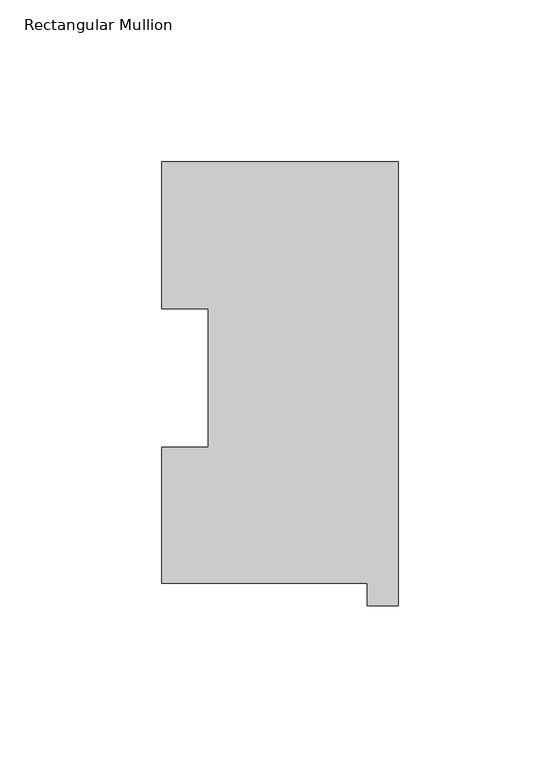
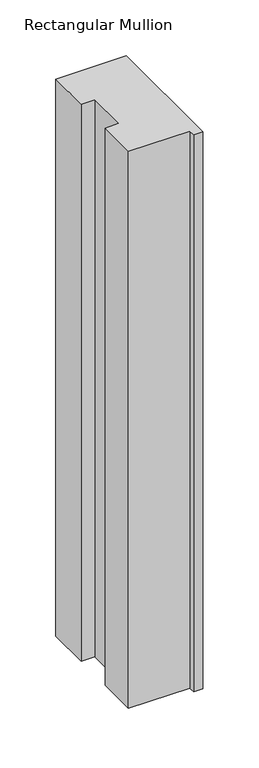
"""IFC4 building model written with IfcOpenShell, lengths in millimetres: member geometry, Rectangular Mullion."""

from ifc_helpers import new_model, si_unit, frame, origin, place, context, project, spatial, polyline, outline, extrude, source, transform, mapped, element, save


def rectangular_mullion_1e9fc19a(model_context):
    return source(origin(), model_context, "Body", "SweptSolid", [
        extrude(outline(polyline([(-73.025, 137.1925438), (0.0, 137.1925438), (0.0, -0.0182562), (-9.525, -0.0182562), (-9.525, 6.8905438), (-73.025, 6.8905438), (-73.025, 48.9275438), (-58.7502, 48.9275438), (-58.7502, 91.7773437), (-73.025, 91.7773438), (-73.025, 137.1925438)])), frame((0.0, 0.0, -609.6), z_axis=(0.0, 0.0, 1.0), x_axis=(1.0, 0.0, 0.0)), (0.0, 0.0, 1.0), 609.6),
    ])


if __name__ == "__main__":
    model = new_model("IFC4")
    model_context = context("Model", 3, world=origin())
    ifc_project = project(units=[si_unit("LENGTHUNIT", "METRE", prefix="MILLI")], contexts=[model_context])
    site = spatial("IfcSite", under=ifc_project)
    building = spatial("IfcBuilding", under=site)
    placement = place(None, origin())
    rectangular_mullion_shape = rectangular_mullion_1e9fc19a(model_context)
    element("IfcMember", 1, ObjectType="Rectangular Mullion", at=placement, inside=building, context=model_context, shape_type="MappedRepresentation", body=[
        mapped(rectangular_mullion_shape, transform((0.0, 0.0, 0.0), x_axis=(1.0, 0.0, 0.0), y_axis=(0.0, 1.0, 0.0), z_axis=(0.0, 0.0, 1.0))),
    ])
    save(model, "model.ifc")
